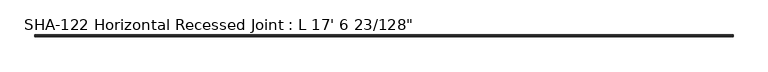
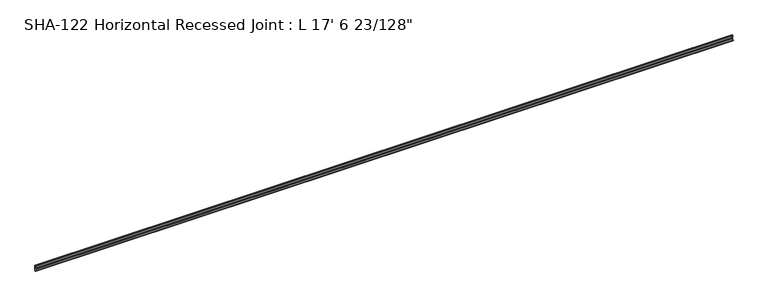
"""IFC4 building model written with IfcOpenShell, lengths in millimetres: proxy geometry."""

from ifc_helpers import new_model, si_unit, point, frame, frame_2d, origin, place, context, project, spatial, polyline, circle_curve, trimmed, segment, composite_curve, outline, extrude, source, transform, mapped, element, save


def proxy_4aaa8707(model_context):
    return source(origin(), model_context, "Body", "SweptSolid", [
        extrude(outline(composite_curve([segment(polyline([(0.0, -19.1207066), (0.0, -14.3963424)]), True, "CONTINUOUS"), segment(trimmed(circle_curve(frame_2d((0.0075405, -15.9711244)), 1.5748), [point((0.0, -14.3963424))], [point((1.5823405, -15.9711244))], False, "CARTESIAN"), True, "CONTINUOUS"), segment(polyline([(1.5823405, -15.9711244), (4.7954405, -15.9711244), (4.7954405, -5.7857244), (12.7434128, -5.7857244), (12.7434128, 7.0857256)]), True, "CONTINUOUS"), segment(trimmed(circle_curve(frame_2d((11.4734128, 7.0857256)), 1.27), [point((12.7434128, 7.0857256))], [point((11.4734128, 8.3557256))], True, "CARTESIAN"), True, "CONTINUOUS"), segment(polyline([(11.4734128, 8.3557256), (4.7932128, 8.3557256), (4.7932128, 20.4405288)]), True, "CONTINUOUS"), segment(trimmed(circle_curve(frame_2d((5.9859085, 19.3490984)), 1.6167075), [point((4.7932128, 20.4405288))], [point((7.1145821, 20.5066126))], False, "CARTESIAN"), True, "CONTINUOUS"), segment(polyline([(7.1145821, 20.5066126), (8.9255559, 9.9305256), (11.140714, 9.9305256), (11.140714, 20.9651512), (14.3182128, 20.9651512), (14.3182128, -23.8832244), (11.140714, -23.8832244), (11.140714, -8.0491906), (8.9318758, -8.0491906), (7.0360651, -19.1207247), (4.7954405, -19.1207247), (4.7954405, -17.5459247), (1.5823405, -17.5459247)]), True, "CONTINUOUS"), segment(trimmed(circle_curve(frame_2d((0.0075405, -17.5459247)), 1.5748), [point((1.5823405, -17.5459247))], [point((0.0, -19.1207066))], False, "CARTESIAN"), True, "CONTINUOUS")], self_intersect=False)), frame((0.0, 0.0, 0.0), z_axis=(1.0, 0.0, 0.0), x_axis=(0.0, 1.0, 0.0)), (0.0, 0.0, 1.0), 5338.5640625),
    ])


if __name__ == "__main__":
    model = new_model("IFC4")
    model_context = context("Model", 3, world=origin())
    ifc_project = project(units=[si_unit("LENGTHUNIT", "METRE", prefix="MILLI")], contexts=[model_context])
    site = spatial("IfcSite", under=ifc_project)
    building = spatial("IfcBuilding", under=site)
    placement = place(None, origin())
    proxy_shape = proxy_4aaa8707(model_context)
    element("IfcBuildingElementProxy", 1, Name="SHA-122 Horizontal Recessed Joint : L 17' 6 23/128\"", ObjectType="SHA-122 Horizontal Recessed Joint : L 17' 6 23/128\"", at=placement, inside=building, context=model_context, shape_type="MappedRepresentation", body=[
        mapped(proxy_shape, transform((0.0, 0.0, 0.0), x_axis=(1.0, 0.0, 0.0), y_axis=(0.0, 1.0, 0.0), z_axis=(0.0, 0.0, 1.0))),
    ])
    save(model, "model.ifc")
